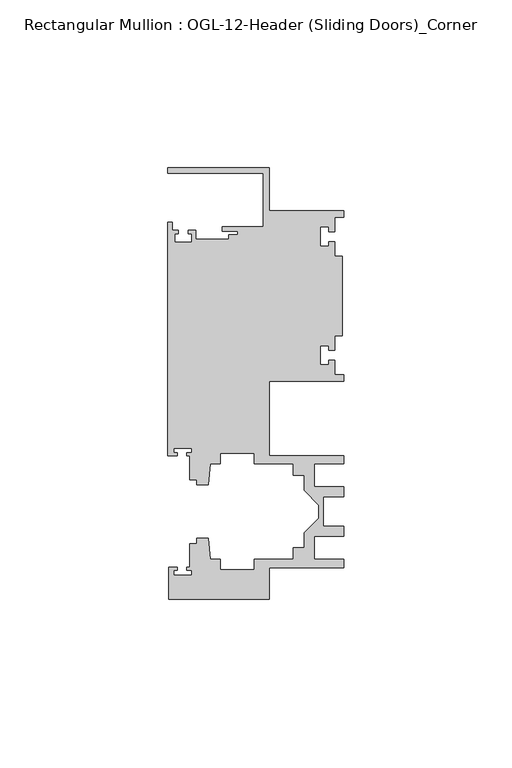
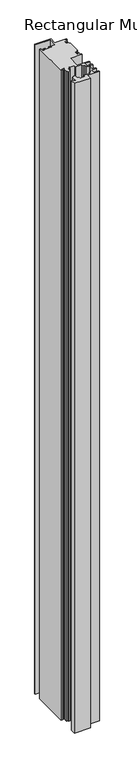
"""IFC4 building model written with IfcOpenShell, lengths in millimetres: member geometry, Rectangular Mullion : OGL-12-Header (Sliding Doors)_Corner."""

from ifc_helpers import new_model, si_unit, frame, origin, place, context, project, spatial, polyline, outline, extrude, source, transform, mapped, element, save


def rectangular_mullion_ogl_12_header_sliding_doors_corner_8b4435a5(model_context):
    return source(origin(), model_context, "Body", "SweptSolid", [
        extrude(outline(polyline([(0.0, -4.7625), (0.0, -6.674324), (-2.740223, -6.674324), (-2.740223, -11.0229141), (-4.5407068, -11.0229141), (-4.5407068, -9.6353294), (-7.0406862, -9.6353294), (-7.0406862, -15.3973275), (-4.5407047, -15.3973275), (-4.5407047, -14.0019048), (-2.740223, -14.0019048), (-2.740223, -18.3583296), (-0.508, -18.3583296), (-0.508, -41.9666704), (-2.740223, -41.9666704), (-2.740223, -46.3230952), (-4.5407047, -46.3230952), (-4.5407047, -44.9276725), (-7.0406862, -44.9276725), (-7.0406862, -50.6896706), (-4.5407068, -50.6896706), (-4.5407068, -49.3020859), (-2.740223, -49.3020859), (-2.740223, -53.650676), (0.0, -53.650676), (0.0, -55.5625), (-22.2332898, -55.5625), (-22.2332898, -77.675852), (-0.0082575, -77.675852), (-0.0082575, -80.175852), (-8.8582575, -80.175852), (-8.8582575, -87.0187795), (-0.0082575, -87.0187795), (-0.0082575, -90.0187795), (-6.1582575, -90.0187795), (-6.1582575, -98.6950565), (-0.0082575, -98.6950565), (-0.0082575, -101.6950565), (-8.8582575, -101.6950565), (-8.8582575, -108.537984), (-0.0082575, -108.537984), (-0.0082575, -111.037984), (-22.2032575, -111.037984), (-22.2032575, -120.4877352), (-52.2095715, -120.4877352), (-52.2095715, -110.9050364), (-49.5692346, -110.9050364), (-49.5692346, -111.8781466), (-50.6220715, -111.8781466), (-50.6220715, -113.2559363), (-45.3220715, -113.2559363), (-45.3220715, -111.8781466), (-46.8181909, -111.8781466), (-46.8181909, -110.9050364), (-45.9710366, -110.9050364), (-45.9710366, -103.9254518), (-43.7582575, -103.9254518), (-43.7582575, -102.337984), (-40.3395523, -102.337984), (-39.7961967, -108.5485669), (-36.8419772, -108.5485669), (-36.8419772, -111.712984), (-26.7462575, -111.712984), (-26.7462575, -108.537984), (-15.0768765, -108.537984), (-15.0768765, -105.137984), (-11.8582575, -105.137984), (-11.8582575, -100.6566892), (-7.4980859, -96.2965176), (-7.4980859, -92.4173184), (-11.8582575, -88.0571468), (-11.8582575, -83.575852), (-15.0768765, -83.575852), (-15.0768765, -80.175852), (-26.7462575, -80.175852), (-26.7462575, -77.000852), (-36.8419772, -77.000852), (-36.8419772, -80.1652691), (-39.7961967, -80.1652691), (-40.3395523, -86.375852), (-43.7582575, -86.375852), (-43.7582575, -84.8247994), (-45.9710366, -84.8247994), (-45.9710366, -77.745996), (-46.769305, -77.745996), (-46.769305, -76.8721046), (-45.3220715, -76.8721046), (-45.3220715, -75.4943149), (-50.6220715, -75.4943149), (-50.6220715, -76.8721046), (-49.5910554, -76.8721046), (-49.5910554, -77.745996), (-52.3921824, -77.745996), (-52.3921824, -8.1914024), (-51.1362531, -8.1914024), (-51.1362531, -10.6800725), (-49.3568347, -10.6800725), (-49.3568347, -11.6873375), (-50.359397, -11.6873375), (-50.359397, -14.1873325), (-45.359407, -14.1873325), (-45.359407, -11.6873375), (-46.3304245, -11.6873375), (-46.3304245, -10.6800725), (-44.1094055, -10.6800725), (-44.1094055, -13.2983325), (-34.2833684, -13.2983325), (-34.2833684, -12.0114739), (-31.5444935, -12.0114739), (-31.5444935, -10.8618293), (-36.2104247, -10.8618293), (-36.2104247, -9.5708266), (-24.0747898, -9.5708266), (-24.0747898, 6.350016), (-52.3921824, 6.350016), (-52.3921824, 7.9371792), (-22.2332898, 7.9371792), (-22.2332898, -4.7625), (0.0, -4.7625)])), frame((0.0, 0.0, -1286.66875), z_axis=(0.0, 0.0, 1.0), x_axis=(1.0, 0.0, 0.0)), (0.0, 0.0, 1.0), 1286.66875),
    ])


if __name__ == "__main__":
    model = new_model("IFC4")
    model_context = context("Model", 3, world=origin())
    ifc_project = project(units=[si_unit("LENGTHUNIT", "METRE", prefix="MILLI")], contexts=[model_context])
    site = spatial("IfcSite", under=ifc_project)
    building = spatial("IfcBuilding", under=site)
    placement = place(None, origin())
    rectangular_mullion_ogl_12_header_sliding_doors_corner_shape = rectangular_mullion_ogl_12_header_sliding_doors_corner_8b4435a5(model_context)
    element("IfcMember", 1, ObjectType="Rectangular Mullion : OGL-12-Header (Sliding Doors)_Corner", at=placement, inside=building, context=model_context, shape_type="MappedRepresentation", body=[
        mapped(rectangular_mullion_ogl_12_header_sliding_doors_corner_shape, transform((0.0, 0.0, 0.0), x_axis=(1.0, 0.0, 0.0), y_axis=(0.0, 1.0, 0.0), z_axis=(0.0, 0.0, 1.0))),
    ])
    save(model, "model.ifc")
